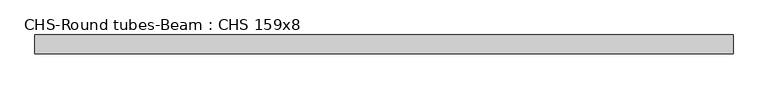
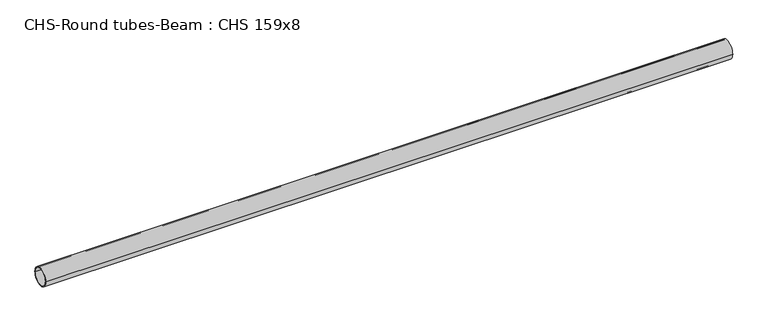
"""IFC4 building model written with IfcOpenShell, lengths in millimetres: beam geometry, CHS-Round tubes-Beam : CHS 159x8."""

from ifc_helpers import new_model, si_unit, point, frame, origin, origin_2d, place, context, project, spatial, circle_curve, trimmed, segment, composite_curve, outline, extrude, source, transform, mapped, element, save


def chs_round_tubes_beam_chs_159x8_ecf1a333(model_context):
    return source(origin(), model_context, "Body", "SweptSolid", [
        extrude(outline(composite_curve([segment(trimmed(circle_curve(origin_2d(), 79.5), [point((79.5, 0.0))], [point((-79.5, 0.0))], False, "CARTESIAN"), True, "CONTINUOUS"), segment(trimmed(circle_curve(origin_2d(), 79.5), [point((-79.5, 0.0))], [point((79.5, 0.0))], False, "CARTESIAN"), True, "CONTINUOUS")], self_intersect=False), holes=[composite_curve([segment(trimmed(circle_curve(origin_2d(), 71.5), [point((71.5, 0.0))], [point((-71.5, 0.0))], True, "CARTESIAN"), True, "CONTINUOUS"), segment(trimmed(circle_curve(origin_2d(), 71.5), [point((-71.5, 0.0))], [point((71.5, 0.0))], True, "CARTESIAN"), True, "CONTINUOUS")], self_intersect=False)]), frame((-2945.2579709, 0.0, 0.0), z_axis=(1.0, 0.0, 0.0), x_axis=(0.0, 1.0, 0.0)), (0.0, 0.0, 1.0), 5890.5159417),
    ])


if __name__ == "__main__":
    model = new_model("IFC4")
    model_context = context("Model", 3, world=origin())
    ifc_project = project(units=[si_unit("LENGTHUNIT", "METRE", prefix="MILLI")], contexts=[model_context])
    site = spatial("IfcSite", under=ifc_project)
    building = spatial("IfcBuilding", under=site)
    placement = place(None, origin())
    chs_round_tubes_beam_chs_159x8_shape = chs_round_tubes_beam_chs_159x8_ecf1a333(model_context)
    element("IfcBeam", 1, ObjectType="CHS-Round tubes-Beam : CHS 159x8", at=placement, inside=building, context=model_context, shape_type="MappedRepresentation", body=[
        mapped(chs_round_tubes_beam_chs_159x8_shape, transform((0.0, 0.0, 0.0), x_axis=(1.0, 0.0, 0.0), y_axis=(0.0, 1.0, 0.0), z_axis=(0.0, 0.0, 1.0))),
    ])
    save(model, "model.ifc")
